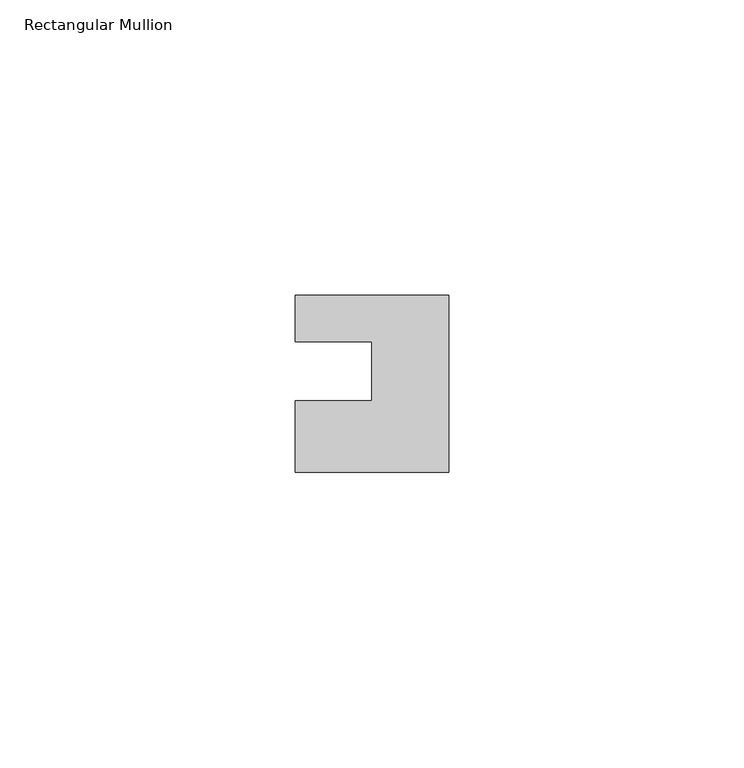
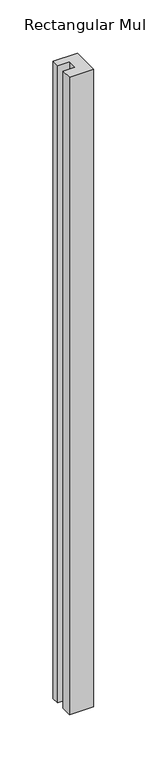
"""IFC4 building model written with IfcOpenShell, lengths in millimetres: member geometry, Rectangular Mullion."""

from ifc_helpers import new_model, si_unit, frame, origin, place, context, project, spatial, polyline, outline, extrude, source, transform, mapped, element, save


def rectangular_mullion_8b6a479a(model_context):
    return source(origin(), model_context, "Body", "SweptSolid", [
        extrude(outline(polyline([(-26.0, 0.001), (-26.0, 7.94), (0.0, 7.94), (0.0, -22.06), (-26.0, -22.06), (-26.0, -10.0), (-13.0, -10.0), (-13.0, 0.001), (-26.0, 0.001)])), frame((0.0, 0.0, -727.0), z_axis=(0.0, 0.0, 1.0), x_axis=(1.0, 0.0, 0.0)), (0.0, 0.0, 1.0), 727.0),
    ])


if __name__ == "__main__":
    model = new_model("IFC4")
    model_context = context("Model", 3, world=origin())
    ifc_project = project(units=[si_unit("LENGTHUNIT", "METRE", prefix="MILLI")], contexts=[model_context])
    site = spatial("IfcSite", under=ifc_project)
    building = spatial("IfcBuilding", under=site)
    placement = place(None, origin())
    rectangular_mullion_shape = rectangular_mullion_8b6a479a(model_context)
    element("IfcMember", 1, ObjectType="Rectangular Mullion", at=placement, inside=building, context=model_context, shape_type="MappedRepresentation", body=[
        mapped(rectangular_mullion_shape, transform((0.0, 0.0, 0.0), x_axis=(1.0, 0.0, 0.0), y_axis=(0.0, 1.0, 0.0), z_axis=(0.0, 0.0, 1.0))),
    ])
    save(model, "model.ifc")
